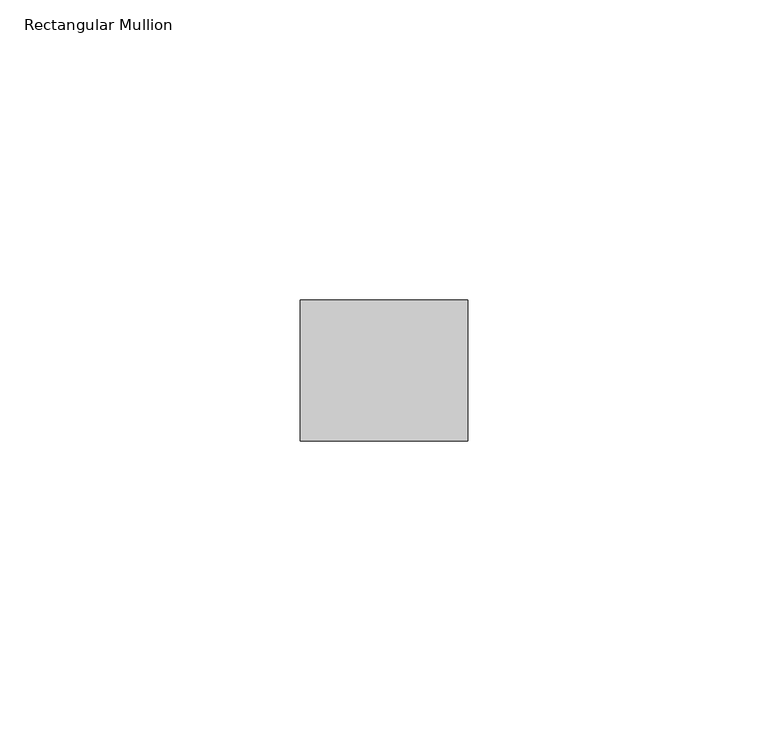
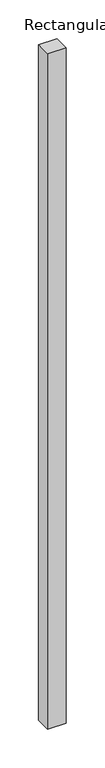
"""IFC4 building model written with IfcOpenShell, lengths in millimetres: member geometry, Rectangular Mullion."""

from ifc_helpers import new_model, si_unit, frame, origin, place, context, project, spatial, polyline, outline, extrude, source, transform, mapped, element, save


def rectangular_mullion_d5a0be7c(model_context):
    return source(origin(), model_context, "Body", "SweptSolid", [
        extrude(outline(polyline([(0.0, -11.7474999), (-27.94, -11.7474999), (-27.94, 11.7474999), (0.0, 11.7474999), (0.0, -11.7474999)])), frame((0.0, 0.0, -1066.8), z_axis=(0.0, 0.0, 1.0), x_axis=(1.0, 0.0, 0.0)), (0.0, 0.0, 1.0), 1066.8),
    ])


if __name__ == "__main__":
    model = new_model("IFC4")
    model_context = context("Model", 3, world=origin())
    ifc_project = project(units=[si_unit("LENGTHUNIT", "METRE", prefix="MILLI")], contexts=[model_context])
    site = spatial("IfcSite", under=ifc_project)
    building = spatial("IfcBuilding", under=site)
    placement = place(None, origin())
    rectangular_mullion_shape = rectangular_mullion_d5a0be7c(model_context)
    element("IfcMember", 1, ObjectType="Rectangular Mullion", at=placement, inside=building, context=model_context, shape_type="MappedRepresentation", body=[
        mapped(rectangular_mullion_shape, transform((0.0, 0.0, 0.0), x_axis=(1.0, 0.0, 0.0), y_axis=(0.0, 1.0, 0.0), z_axis=(0.0, 0.0, 1.0))),
    ])
    save(model, "model.ifc")
